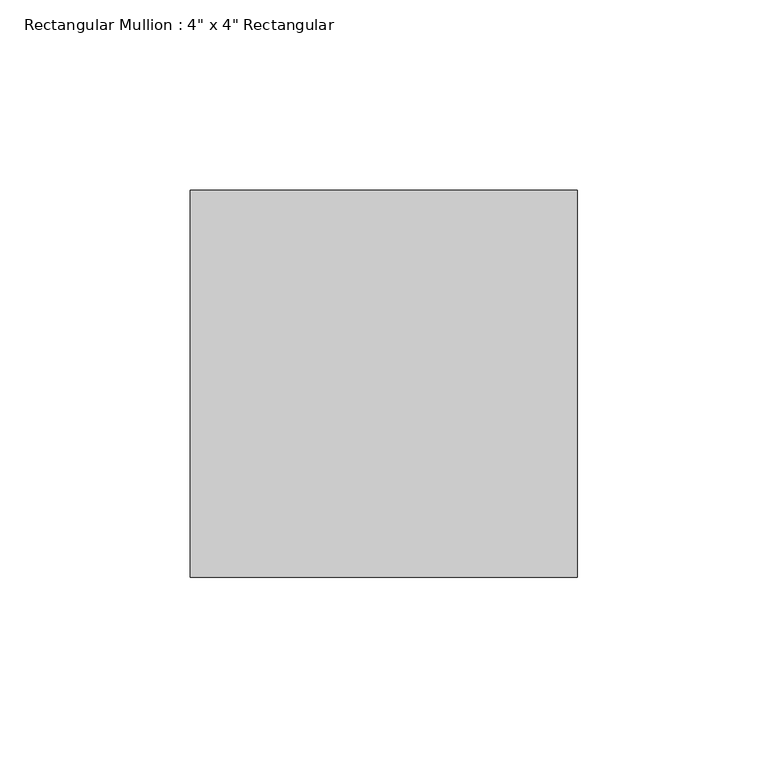
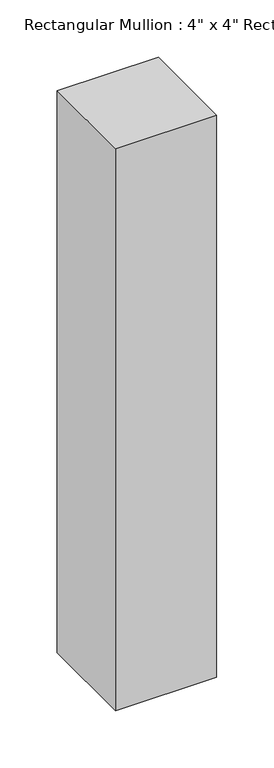
"""IFC4 building model written with IfcOpenShell, lengths in millimetres: member geometry."""

from ifc_helpers import new_model, si_unit, frame, origin, place, context, project, spatial, polyline, outline, extrude, source, transform, mapped, element, save


def member_0fe7fdce(model_context):
    return source(origin(), model_context, "Body", "SweptSolid", [
        extrude(outline(polyline([(0.0, 50.8), (0.0, -50.8), (-101.6, -50.8), (-101.6, 50.8), (0.0, 50.8)])), frame((0.0, 0.0, -596.9), z_axis=(0.0, 0.0, 1.0), x_axis=(1.0, 0.0, 0.0)), (0.0, 0.0, 1.0), 596.9),
    ])


if __name__ == "__main__":
    model = new_model("IFC4")
    model_context = context("Model", 3, world=origin())
    ifc_project = project(units=[si_unit("LENGTHUNIT", "METRE", prefix="MILLI")], contexts=[model_context])
    site = spatial("IfcSite", under=ifc_project)
    building = spatial("IfcBuilding", under=site)
    placement = place(None, origin())
    member_shape = member_0fe7fdce(model_context)
    element("IfcMember", 1, ObjectType="Rectangular Mullion : 4\" x 4\" Rectangular", at=placement, inside=building, context=model_context, shape_type="MappedRepresentation", body=[
        mapped(member_shape, transform((0.0, 0.0, 0.0), x_axis=(1.0, 0.0, 0.0), y_axis=(0.0, 1.0, 0.0), z_axis=(0.0, 0.0, 1.0))),
    ])
    save(model, "model.ifc")
